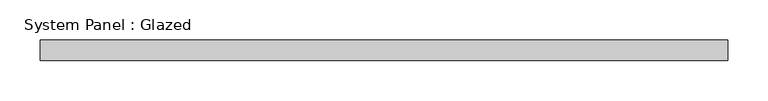
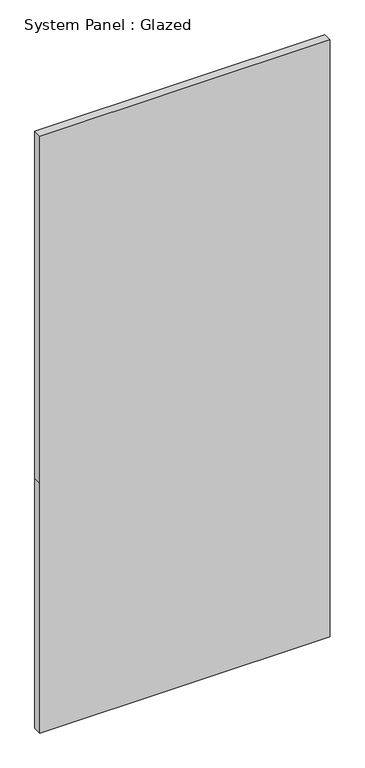
"""IFC4 building model written with IfcOpenShell, lengths in millimetres: plate geometry, System Panel : Glazed."""

from ifc_helpers import new_model, si_unit, frame, origin, place, context, project, spatial, polyline, outline, extrude, source, transform, mapped, element, save


def system_panel_glazed_b357142f(model_context):
    return source(origin(), model_context, "Body", "SweptSolid", [
        extrude(outline(polyline([(0.0, -425.0), (0.0, 425.0), (773.3333333, 425.0), (1846.6666667, 425.0), (1846.6666667, -425.0), (773.3333333, -425.0), (0.0, -425.0)])), frame((0.0, -49.5, 0.0), z_axis=(0.0, 1.0, 0.0), x_axis=(0.0, 0.0, 1.0)), (0.0, 0.0, 1.0), 25.0),
    ])


if __name__ == "__main__":
    model = new_model("IFC4")
    model_context = context("Model", 3, world=origin())
    ifc_project = project(units=[si_unit("LENGTHUNIT", "METRE", prefix="MILLI")], contexts=[model_context])
    site = spatial("IfcSite", under=ifc_project)
    building = spatial("IfcBuilding", under=site)
    placement = place(None, origin())
    system_panel_glazed_shape = system_panel_glazed_b357142f(model_context)
    element("IfcPlate", 1, ObjectType="System Panel : Glazed", at=placement, inside=building, context=model_context, shape_type="MappedRepresentation", body=[
        mapped(system_panel_glazed_shape, transform((0.0, 0.0, 0.0), x_axis=(1.0, 0.0, 0.0), y_axis=(0.0, 1.0, 0.0), z_axis=(0.0, 0.0, 1.0))),
    ])
    save(model, "model.ifc")
